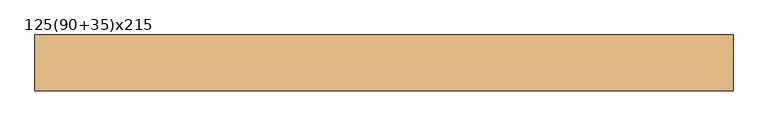
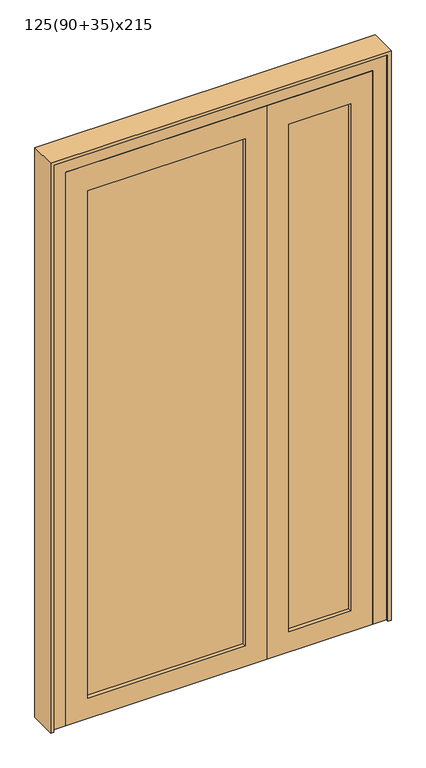
"""IFC4 building model written with IfcOpenShell, lengths in millimetres: door geometry, 125(90+35)x215."""

from ifc_helpers import new_model, si_unit, frame, origin, place, context, project, spatial, polyline, outline, extrude, source, transform, mapped, element, save


def door_125_90_35_x215_f340776e(model_context):
    return source(origin(), model_context, "Body", "SweptSolid", [
        extrude(outline(polyline([(95.0, -25.0), (-483.0, -25.0), (-483.0, 35.0), (95.0, 35.0), (95.0, -25.0)])), frame((0.0, 0.0, 80.0), z_axis=(0.0, 0.0, 1.0), x_axis=(1.0, 0.0, 0.0)), (0.0, 0.0, 1.0), 1970.0),
        extrude(outline(polyline([(483.0, -25.0), (255.0, -25.0), (255.0, 35.0), (483.0, 35.0), (483.0, -25.0)])), frame((0.0, 0.0, 80.0), z_axis=(0.0, 0.0, 1.0), x_axis=(1.0, 0.0, 0.0)), (0.0, 0.0, 1.0), 1970.0),
        extrude(outline(polyline([(0.0, 175.0), (2150.0, 175.0), (2150.0, -563.0), (0.0, -563.0), (0.0, 175.0)]), holes=[polyline([(80.0, -483.0), (2050.0, -483.0), (2050.0, 95.0), (80.0, 95.0), (80.0, -483.0)])]), frame((0.0, -40.0, 0.0), z_axis=(0.0, 1.0, 0.0), x_axis=(0.0, 0.0, 1.0)), (0.0, 0.0, 1.0), 90.0),
        extrude(outline(polyline([(2150.0, 563.0), (2150.0, 175.0), (0.0, 175.0), (0.0, 563.0), (2150.0, 563.0)]), holes=[polyline([(2050.0, 483.0), (80.0, 483.0), (80.0, 255.0), (2050.0, 255.0), (2050.0, 483.0)])]), frame((0.0, -40.0, 0.0), z_axis=(0.0, 1.0, 0.0), x_axis=(0.0, 0.0, 1.0)), (0.0, 0.0, 1.0), 90.0),
        extrude(outline(polyline([(2200.0, 613.0), (2200.0, -613.0), (0.0, -613.0), (0.0, -563.0), (2150.0, -563.0), (2150.0, 563.0), (0.0, 563.0), (0.0, 613.0), (2200.0, 613.0)])), frame((0.0, -40.0, 0.0), z_axis=(0.0, 1.0, 0.0), x_axis=(0.0, 0.0, 1.0)), (0.0, 0.0, 1.0), 90.0),
        extrude(outline(polyline([(0.0, 625.0), (2212.0, 625.0), (2212.0, -625.0), (0.0, -625.0), (0.0, -613.0), (2200.0, -613.0), (2200.0, 613.0), (0.0, 613.0), (0.0, 625.0)])), frame((0.0, -50.0, 0.0), z_axis=(0.0, 1.0, 0.0), x_axis=(0.0, 0.0, 1.0)), (0.0, 0.0, 1.0), 100.0),
    ])


if __name__ == "__main__":
    model = new_model("IFC4")
    model_context = context("Model", 3, world=origin())
    ifc_project = project(units=[si_unit("LENGTHUNIT", "METRE", prefix="MILLI")], contexts=[model_context])
    site = spatial("IfcSite", under=ifc_project)
    building = spatial("IfcBuilding", under=site)
    placement = place(None, origin())
    door_125_90_35_x215_shape = door_125_90_35_x215_f340776e(model_context)
    element("IfcDoor", 1, ObjectType="125(90+35)x215", at=placement, inside=building, context=model_context, shape_type="MappedRepresentation", body=[
        mapped(door_125_90_35_x215_shape, transform((0.0, 0.0, 0.0), x_axis=(1.0, 0.0, 0.0), y_axis=(0.0, 1.0, 0.0), z_axis=(0.0, 0.0, 1.0))),
    ])
    save(model, "model.ifc")
